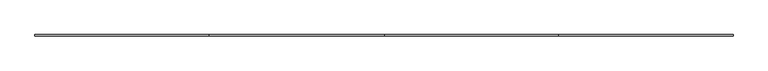
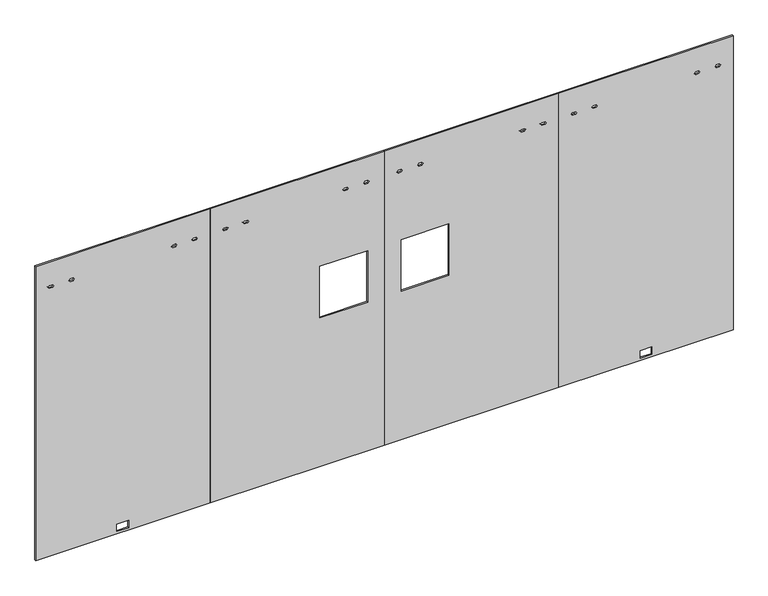
"""IFC4 building model written with IfcOpenShell, lengths in millimetres: furniture geometry."""

from ifc_helpers import new_model, si_unit, frame, origin, place, context, project, spatial, polyline, outline, extrude, source, transform, mapped, element, save


def furniture_20e3728c(model_context):
    return source(origin(), model_context, "Body", "SweptSolid", [
        extrude(outline(polyline([(12.7, 4876.8), (2186.3010468, 4876.8), (2186.3010468, 3657.6), (12.7, 3657.6), (12.7, 4876.8)]), holes=[polyline([(83.9724, 4226.0774), (83.9724, 4308.3226), (29.6164, 4308.3226), (29.6164, 4226.0774), (83.9724, 4226.0774)]), polyline([(2001.1032968, 3745.6299829), (2011.0981968, 3753.6817829), (2011.0981968, 3775.6781829), (2001.1032968, 3783.7299829), (1991.1083968, 3775.6781829), (1991.1083968, 3753.6817829), (2001.1032968, 3745.6299829)]), polyline([(2001.1032968, 3890.049983), (2011.0981968, 3898.101783), (2011.0981968, 3920.098183), (2001.1032968, 3928.149983), (1991.1083968, 3920.098183), (1991.1083968, 3898.101783), (2001.1032968, 3890.049983)]), polyline([(2001.1032968, 4606.250017), (2011.0981968, 4614.301817), (2011.0981968, 4636.298217), (2001.1032968, 4644.350017), (1991.1083968, 4636.298217), (1991.1083968, 4614.301817), (2001.1032968, 4606.250017)]), polyline([(2001.1032968, 4750.6700171), (2011.0981968, 4758.7218171), (2011.0981968, 4780.7182171), (2001.1032968, 4788.7700171), (1991.1083968, 4780.7182171), (1991.1083968, 4758.7218171), (2001.1032968, 4750.6700171)])]), frame((0.0, -4.7752, 0.0), z_axis=(0.0, 1.0, 0.0), x_axis=(0.0, 0.0, 1.0)), (0.0, 0.0, 1.0), 9.525),
        extrude(outline(polyline([(12.7, 2438.4), (2186.3010468, 2438.4), (2186.3010468, 1219.2), (12.7, 1219.2), (12.7, 2438.4)]), holes=[polyline([(1491.9706, 1987.804), (1491.9706, 2321.4076), (1110.9706, 2321.4076), (1110.9706, 1987.804), (1491.9706, 1987.804)]), polyline([(2001.1032968, 1307.2299829), (2011.0981968, 1315.2817829), (2011.0981968, 1337.2781829), (2001.1032968, 1345.3299829), (1991.1083968, 1337.2781829), (1991.1083968, 1315.2817829), (2001.1032968, 1307.2299829)]), polyline([(2001.1032968, 1451.649983), (2011.0981968, 1459.701783), (2011.0981968, 1481.698183), (2001.1032968, 1489.749983), (1991.1083968, 1481.698183), (1991.1083968, 1459.701783), (2001.1032968, 1451.649983)]), polyline([(2001.1032968, 2148.800017), (2011.0981968, 2156.851817), (2011.0981968, 2178.848217), (2001.1032968, 2186.900017), (1991.1083968, 2178.848217), (1991.1083968, 2156.851817), (2001.1032968, 2148.800017)]), polyline([(2001.1032968, 2293.2200171), (2011.0981968, 2301.2718171), (2011.0981968, 2323.2682171), (2001.1032968, 2331.3200171), (1991.1083968, 2323.2682171), (1991.1083968, 2301.2718171), (2001.1032968, 2293.2200171)])]), frame((0.0, -4.7752, 0.0), z_axis=(0.0, 1.0, 0.0), x_axis=(0.0, 0.0, 1.0)), (0.0, 0.0, 1.0), 9.525),
        extrude(outline(polyline([(12.7, 2438.4), (12.7, 3657.6), (2186.3010468, 3657.6), (2186.3010468, 2438.4), (12.7, 2438.4)]), holes=[polyline([(1110.9706, 2888.996), (1110.9706, 2555.3924), (1491.9706, 2555.3924), (1491.9706, 2888.996), (1110.9706, 2888.996)]), polyline([(2001.1032968, 2526.4299829), (2011.0981968, 2534.4817829), (2011.0981968, 2556.4781829), (2001.1032968, 2564.5299829), (1991.1083968, 2556.4781829), (1991.1083968, 2534.4817829), (2001.1032968, 2526.4299829)]), polyline([(2001.1032968, 2670.849983), (2011.0981968, 2678.901783), (2011.0981968, 2700.898183), (2001.1032968, 2708.949983), (1991.1083968, 2700.898183), (1991.1083968, 2678.901783), (2001.1032968, 2670.849983)]), polyline([(2001.1032968, 3387.050017), (2011.0981968, 3395.101817), (2011.0981968, 3417.098217), (2001.1032968, 3425.150017), (1991.1083968, 3417.098217), (1991.1083968, 3395.101817), (2001.1032968, 3387.050017)]), polyline([(2001.1032968, 3531.4700171), (2011.0981968, 3539.5218171), (2011.0981968, 3561.5182171), (2001.1032968, 3569.5700171), (1991.1083968, 3561.5182171), (1991.1083968, 3539.5218171), (2001.1032968, 3531.4700171)])]), frame((0.0, -4.7752, 0.0), z_axis=(0.0, 1.0, 0.0), x_axis=(0.0, 0.0, 1.0)), (0.0, 0.0, 1.0), 9.525),
        extrude(outline(polyline([(12.7, 0.0), (12.7, 1219.2), (2186.3010468, 1219.2), (2186.3010468, 0.0), (12.7, 0.0)]), holes=[polyline([(29.6164, 568.4774), (83.9724, 568.4774), (83.9724, 650.7226), (29.6164, 650.7226), (29.6164, 568.4774)]), polyline([(2001.1032968, 88.0299829), (2011.0981968, 96.0817829), (2011.0981968, 118.0781829), (2001.1032968, 126.1299829), (1991.1083968, 118.0781829), (1991.1083968, 96.0817829), (2001.1032968, 88.0299829)]), polyline([(2001.1032968, 232.449983), (2011.0981968, 240.501783), (2011.0981968, 262.498183), (2001.1032968, 270.549983), (1991.1083968, 262.498183), (1991.1083968, 240.501783), (2001.1032968, 232.449983)]), polyline([(2001.1032968, 948.650017), (2011.0981968, 956.701817), (2011.0981968, 978.698217), (2001.1032968, 986.750017), (1991.1083968, 978.698217), (1991.1083968, 956.701817), (2001.1032968, 948.650017)]), polyline([(2001.1032968, 1093.0700171), (2011.0981968, 1101.1218171), (2011.0981968, 1123.1182171), (2001.1032968, 1131.1700171), (1991.1083968, 1123.1182171), (1991.1083968, 1101.1218171), (2001.1032968, 1093.0700171)])]), frame((0.0, -4.7752, 0.0), z_axis=(0.0, 1.0, 0.0), x_axis=(0.0, 0.0, 1.0)), (0.0, 0.0, 1.0), 9.525),
    ])


if __name__ == "__main__":
    model = new_model("IFC4")
    model_context = context("Model", 3, world=origin())
    ifc_project = project(units=[si_unit("LENGTHUNIT", "METRE", prefix="MILLI")], contexts=[model_context])
    site = spatial("IfcSite", under=ifc_project)
    building = spatial("IfcBuilding", under=site)
    placement = place(None, origin())
    furniture_shape = furniture_20e3728c(model_context)
    element("IfcFurniture", 1, at=placement, inside=building, context=model_context, shape_type="MappedRepresentation", body=[
        mapped(furniture_shape, transform((0.0, 0.0, 0.0), x_axis=(1.0, 0.0, 0.0), y_axis=(0.0, 1.0, 0.0), z_axis=(0.0, 0.0, 1.0))),
    ])
    save(model, "model.ifc")
